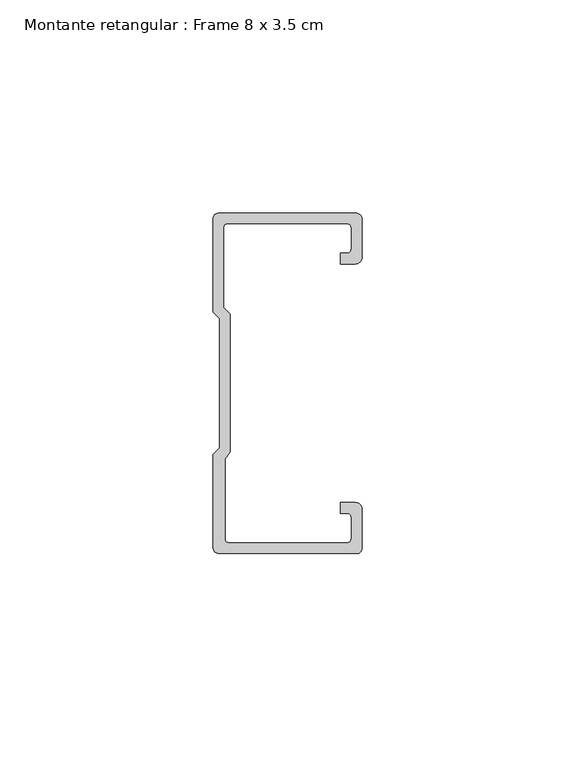
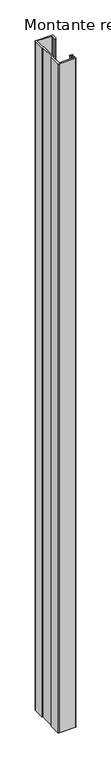
"""IFC4 building model written with IfcOpenShell, lengths in millimetres: member geometry, Montante retangular : Frame 8 x 3.5 cm."""

import ifcopenshell
import ifcopenshell.guid

model = None  # the IFC model being written
_history = None  # IfcOwnerHistory: only IFC2X3 demands one
_inside = {}  # id of a spatial element -> (the spatial element, [elements in it])
_under = {}  # id of a project, library or spatial element -> (it, [spatial elements below it])
_declared = {}  # id of a project -> (the project, [libraries it declares])
_typed = {}  # id of a type object -> (the type object, [elements of that type])
_made_of = {}  # id of a material, layer set ... -> (it, [elements and type objects made of it])


def new_model(schema):
    """Start an empty IFC model of exactly this schema.

    Asked for "IFC4X3", IfcOpenShell would pick the latest addendum, in which some entities
    have other attributes; the version numbers below select the first issue.
    IFC2X3 requires an IfcOwnerHistory on every rooted entity: one is made here for all.
    """
    global model, _history
    if schema == "IFC4X3":
        model = ifcopenshell.file(schema_version=(4, 3, 0, 0))
    else:
        model = ifcopenshell.file(schema=schema)
    _inside.clear()
    _under.clear()
    _declared.clear()
    _typed.clear()
    _made_of.clear()
    _history = None
    if model.schema == "IFC2X3":
        org = make("IfcOrganization", Name="unknown")
        user = make(
            "IfcPersonAndOrganization",
            ThePerson=make("IfcPerson", FamilyName="unknown"),
            TheOrganization=org,
        )
        app = make(
            "IfcApplication",
            ApplicationDeveloper=org,
            Version="unknown",
            ApplicationFullName="unknown",
            ApplicationIdentifier="unknown",
        )
        _history = make(
            "IfcOwnerHistory",
            OwningUser=user,
            OwningApplication=app,
            ChangeAction="ADDED",
            CreationDate=0,
        )
    return model


def make(cls, **values):
    """One entity of the class cls with the attributes given. An attribute that is None is left unset."""
    return model.create_entity(
        cls, **{name: value for name, value in values.items() if value is not None}
    )


def rooted(cls, **values):
    """An entity with a GlobalId (a new one), such as an element, a storey or a relation."""
    return make(cls, GlobalId=ifcopenshell.guid.new(), OwnerHistory=_history, **values)


def si_unit(unit_type, name, prefix=None):
    """IfcSIUnit, for example si_unit("LENGTHUNIT", "METRE", prefix="MILLI")."""
    return make("IfcSIUnit", UnitType=unit_type, Prefix=prefix, Name=name)


def assignment(units):
    """IfcUnitAssignment: the units of a project."""
    return None if units is None else make("IfcUnitAssignment", Units=units)


def point(xyz):
    """IfcCartesianPoint."""
    return None if xyz is None else make("IfcCartesianPoint", Coordinates=xyz)


def direction(xyz):
    """IfcDirection."""
    return None if xyz is None else make("IfcDirection", DirectionRatios=xyz)


def frame(location, z_axis=None, x_axis=None):
    """IfcAxis2Placement3D, a coordinate frame: its origin and axes. An axis left out is left unset."""
    return make(
        "IfcAxis2Placement3D",
        Location=point(location),
        Axis=direction(z_axis),
        RefDirection=direction(x_axis),
    )


def frame_2d(location, x_axis=None):
    """IfcAxis2Placement2D, a coordinate frame in the plane: its origin and x axis."""
    return make(
        "IfcAxis2Placement2D", Location=point(location), RefDirection=direction(x_axis)
    )


def origin():
    """The frame at (0, 0, 0) with its axes left unset."""
    return frame((0.0, 0.0, 0.0))


def place(relative_to, where):
    """IfcLocalPlacement: puts the frame where relative to a parent placement (None: the world)."""
    return make(
        "IfcLocalPlacement", PlacementRelTo=relative_to, RelativePlacement=where
    )


def context(
    kind, dimensions, precision=None, world=None, true_north=None, identifier=None
):
    """IfcGeometricRepresentationContext, for example the 3D "Model" context."""
    return make(
        "IfcGeometricRepresentationContext",
        ContextIdentifier=identifier,
        ContextType=kind,
        CoordinateSpaceDimension=dimensions,
        Precision=precision,
        WorldCoordinateSystem=world,
        TrueNorth=true_north,
    )


def project(units=None, contexts=None):
    """IfcProject with its units and contexts."""
    return rooted(
        "IfcProject",
        Name="project",
        RepresentationContexts=contexts,
        UnitsInContext=assignment(units),
    )


def spatial(cls, under=None, at=None, **own):
    """A site, building, storey or space (cls), placed at a placement, below another one or the project."""
    s = rooted(cls, ObjectPlacement=at, **own)
    if under is not None:
        _under.setdefault(under.id(), (under, []))[1].append(s)
    return s


def polyline(points):
    """IfcPolyline through the points."""
    return make("IfcPolyline", Points=[point(p) for p in points])


def circle_curve(where, radius):
    """IfcCircle in the frame where."""
    return make("IfcCircle", Position=where, Radius=radius)


def trimmed(basis, trim1, trim2, sense, master):
    """IfcTrimmedCurve: the piece of a basis curve between two trims."""
    return make(
        "IfcTrimmedCurve",
        BasisCurve=basis,
        Trim1=trim1,
        Trim2=trim2,
        SenseAgreement=sense,
        MasterRepresentation=master,
    )


def segment(curve, same_sense, transition):
    """IfcCompositeCurveSegment."""
    return make(
        "IfcCompositeCurveSegment",
        Transition=transition,
        SameSense=same_sense,
        ParentCurve=curve,
    )


def composite_curve(segments, self_intersect=None):
    """IfcCompositeCurve: segments joined end to end."""
    return make("IfcCompositeCurve", Segments=segments, SelfIntersect=self_intersect)


def outline(outer, holes=None, kind="AREA"):
    """IfcArbitraryClosedProfileDef: a profile drawn as a closed curve; with holes, ...WithVoids."""
    if holes is None:
        return make("IfcArbitraryClosedProfileDef", ProfileType=kind, OuterCurve=outer)
    return make(
        "IfcArbitraryProfileDefWithVoids",
        ProfileType=kind,
        OuterCurve=outer,
        InnerCurves=holes,
    )


def extrude(swept, where, along, depth):
    """IfcExtrudedAreaSolid: the profile swept, set in the frame where, extruded along a direction by depth."""
    return make(
        "IfcExtrudedAreaSolid",
        SweptArea=swept,
        Position=where,
        ExtrudedDirection=direction(along),
        Depth=depth,
    )


def shape(context_of_items, identifier, shape_type, items):
    """IfcShapeRepresentation: the items that make up one representation, for example the "Body"."""
    return make(
        "IfcShapeRepresentation",
        ContextOfItems=context_of_items,
        RepresentationIdentifier=identifier,
        RepresentationType=shape_type,
        Items=items,
    )


def source(mapping_origin, context_of_items, identifier, shape_type, items):
    """IfcRepresentationMap: a shape defined once, which mapped items show again and again."""
    return make(
        "IfcRepresentationMap",
        MappingOrigin=mapping_origin,
        MappedRepresentation=shape(context_of_items, identifier, shape_type, items),
    )


def transform(
    local_origin,
    x_axis=None,
    y_axis=None,
    z_axis=None,
    scale=None,
    scale2=None,
    scale3=None,
    uniform=True,
):
    """IfcCartesianTransformationOperator3D, or its non-uniform kind. x_axis, y_axis, z_axis: its Axis1, 2, 3."""
    if uniform:
        return make(
            "IfcCartesianTransformationOperator3D",
            Axis1=direction(x_axis),
            Axis2=direction(y_axis),
            LocalOrigin=point(local_origin),
            Scale=scale,
            Axis3=direction(z_axis),
        )
    return make(
        "IfcCartesianTransformationOperator3DnonUniform",
        Axis1=direction(x_axis),
        Axis2=direction(y_axis),
        LocalOrigin=point(local_origin),
        Scale=scale,
        Axis3=direction(z_axis),
        Scale2=scale2,
        Scale3=scale3,
    )


def mapped(mapping_source, mapping_target):
    """IfcMappedItem: shows the shape of a source again, moved by a transform."""
    return make(
        "IfcMappedItem", MappingSource=mapping_source, MappingTarget=mapping_target
    )


def made_of(thing, what):
    """Note that an element or type object is made of a material, layer set ...; save() writes the relation."""
    if what is not None:
        _made_of.setdefault(what.id(), (what, []))[1].append(thing)
    return thing


def element(
    cls,
    number,
    at=None,
    inside=None,
    cuts=None,
    type_object=None,
    material=None,
    context=None,
    identifier="Body",
    shape_type=None,
    held_by="IfcProductDefinitionShape",
    body=None,
    shapes=None,
    **own,
):
    """One element of the class cls, such as IfcWall. Its Tag is "e" and its number.

    at: its placement. inside: the storey or other place that contains it. cuts: it is an
    opening in that element (IfcRelVoidsElement). A single representation is given by context,
    identifier, shape_type and body (its items); several are given by shapes. held_by: the class
    of the entity that holds the representations. save() writes the other relations.
    """
    e = rooted(cls, Tag="e%d" % number, ObjectPlacement=at, **own)
    if body is not None:
        shapes = [shape(context, identifier, shape_type, body)]
    if shapes is not None:
        e.Representation = make(held_by, Representations=shapes)
    if inside is not None:
        _inside.setdefault(inside.id(), (inside, []))[1].append(e)
    if cuts is not None:
        rooted(
            "IfcRelVoidsElement", RelatingBuildingElement=cuts, RelatedOpeningElement=e
        )
    if type_object is not None:
        _typed.setdefault(type_object.id(), (type_object, []))[1].append(e)
    return made_of(e, material)


def aggregate(whole, parts):
    """IfcRelAggregates: a whole, such as a stair, and the parts it consists of."""
    return rooted("IfcRelAggregates", RelatingObject=whole, RelatedObjects=parts)


def save(model, path):
    """Write the relations noted so far, then the file.

    IfcRelAggregates (storeys below a building ...), IfcRelContainedInSpatialStructure (elements
    in a storey), IfcRelDefinesByType, IfcRelAssociatesMaterial and IfcRelDeclares: one each for
    every whole, place, type object, material and project.
    """
    for whole, parts in _under.values():
        aggregate(whole, parts)
    for where, things in _inside.values():
        rooted(
            "IfcRelContainedInSpatialStructure",
            RelatedElements=things,
            RelatingStructure=where,
        )
    for kind, things in _typed.values():
        rooted("IfcRelDefinesByType", RelatedObjects=things, RelatingType=kind)
    for what, things in _made_of.values():
        rooted("IfcRelAssociatesMaterial", RelatedObjects=things, RelatingMaterial=what)
    for by, libraries in _declared.values():
        rooted("IfcRelDeclares", RelatingContext=by, RelatedDefinitions=libraries)
    model.write(path)


def montante_retangular_frame_8_x_3_5_cm_81f36896(model_context):
    return source(origin(), model_context, "Body", "SweptSolid", [
        extrude(outline(composite_curve([segment(trimmed(circle_curve(frame_2d((-1.5, 29.5276505)), 1.5), [point((0.0, 29.5276505))], [point((-1.5, 28.0276505))], False, "CARTESIAN"), True, "CONTINUOUS"), segment(polyline([(-1.5, 28.0276505), (-4.9837744, 28.0276505), (-4.9837744, 30.5276505), (-3.5, 30.5276505)]), True, "CONTINUOUS"), segment(trimmed(circle_curve(frame_2d((-3.5, 31.5276505)), 1.0), [point((-3.5, 30.5276505))], [point((-2.5, 31.5276505))], True, "CARTESIAN"), True, "CONTINUOUS"), segment(polyline([(-2.5, 31.5276505), (-2.5, 36.5)]), True, "CONTINUOUS"), segment(trimmed(circle_curve(frame_2d((-3.5, 36.5)), 1.0), [point((-2.5, 36.5))], [point((-3.5, 37.5))], True, "CARTESIAN"), True, "CONTINUOUS"), segment(polyline([(-3.5, 37.5), (-31.5, 37.5)]), True, "CONTINUOUS"), segment(trimmed(circle_curve(frame_2d((-31.5, 36.5)), 1.0), [point((-31.5, 37.5))], [point((-32.5, 36.5))], True, "CARTESIAN"), True, "CONTINUOUS"), segment(polyline([(-32.5, 36.5), (-32.5, 17.7978001), (-30.9122869, 16.2100869), (-30.9122869, -16.1794816), (-32.192786, -17.7671948), (-32.192786, -36.5)]), True, "CONTINUOUS"), segment(trimmed(circle_curve(frame_2d((-31.192786, -36.5)), 1.0), [point((-32.192786, -36.5))], [point((-31.192786, -37.5))], True, "CARTESIAN"), True, "CONTINUOUS"), segment(polyline([(-31.192786, -37.5), (-3.5, -37.5)]), True, "CONTINUOUS"), segment(trimmed(circle_curve(frame_2d((-3.5, -36.5)), 1.0), [point((-3.5, -37.5))], [point((-2.5, -36.5))], True, "CARTESIAN"), True, "CONTINUOUS"), segment(polyline([(-2.5, -36.5), (-2.5, -31.5276505)]), True, "CONTINUOUS"), segment(trimmed(circle_curve(frame_2d((-3.5, -31.5276505)), 1.0), [point((-2.5, -31.5276505))], [point((-3.5, -30.5276505))], True, "CARTESIAN"), True, "CONTINUOUS"), segment(polyline([(-3.5, -30.5276505), (-4.9837744, -30.5276505), (-4.9837744, -28.0276505), (-1.5, -28.0276505)]), True, "CONTINUOUS"), segment(trimmed(circle_curve(frame_2d((-1.5, -29.5276505)), 1.5), [point((-1.5, -28.0276505))], [point((0.0, -29.5276505))], False, "CARTESIAN"), True, "CONTINUOUS"), segment(polyline([(0.0, -29.5276505), (0.0, -38.8171833)]), True, "CONTINUOUS"), segment(trimmed(circle_curve(frame_2d((-1.1828167, -38.8171833)), 1.1828167), [point((0.0, -38.8171833))], [point((-1.1828167, -40.0))], False, "CARTESIAN"), True, "CONTINUOUS"), segment(polyline([(-1.1828167, -40.0), (-33.5, -40.0)]), True, "CONTINUOUS"), segment(trimmed(circle_curve(frame_2d((-33.5, -38.5)), 1.5), [point((-33.5, -40.0))], [point((-35.0, -38.5))], False, "CARTESIAN"), True, "CONTINUOUS"), segment(polyline([(-35.0, -38.5), (-35.0, -16.7622662), (-33.4122869, -15.174553), (-33.4122869, 15.174553), (-35.0, 16.7622662), (-35.0, 38.5)]), True, "CONTINUOUS"), segment(trimmed(circle_curve(frame_2d((-33.5, 38.5)), 1.5), [point((-35.0, 38.5))], [point((-33.5, 40.0))], False, "CARTESIAN"), True, "CONTINUOUS"), segment(polyline([(-33.5, 40.0), (-1.5, 40.0)]), True, "CONTINUOUS"), segment(trimmed(circle_curve(frame_2d((-1.5, 38.5)), 1.5), [point((-1.5, 40.0))], [point((0.0, 38.5))], False, "CARTESIAN"), True, "CONTINUOUS"), segment(polyline([(0.0, 38.5), (0.0, 29.5276505)]), True, "CONTINUOUS")], self_intersect=False)), frame((0.0, 0.0, -1400.0), z_axis=(0.0, 0.0, 1.0), x_axis=(1.0, 0.0, 0.0)), (0.0, 0.0, 1.0), 1400.0),
    ])


if __name__ == "__main__":
    model = new_model("IFC4")
    model_context = context("Model", 3, world=origin())
    ifc_project = project(units=[si_unit("LENGTHUNIT", "METRE", prefix="MILLI")], contexts=[model_context])
    site = spatial("IfcSite", under=ifc_project)
    building = spatial("IfcBuilding", under=site)
    placement = place(None, origin())
    montante_retangular_frame_8_x_3_5_cm_shape = montante_retangular_frame_8_x_3_5_cm_81f36896(model_context)
    element("IfcMember", 1, ObjectType="Montante retangular : Frame 8 x 3.5 cm", at=placement, inside=building, context=model_context, shape_type="MappedRepresentation", body=[
        mapped(montante_retangular_frame_8_x_3_5_cm_shape, transform((0.0, 0.0, 0.0), x_axis=(1.0, 0.0, 0.0), y_axis=(0.0, 1.0, 0.0), z_axis=(0.0, 0.0, 1.0))),
    ])
    save(model, "model.ifc")
